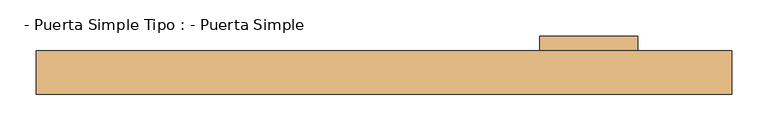
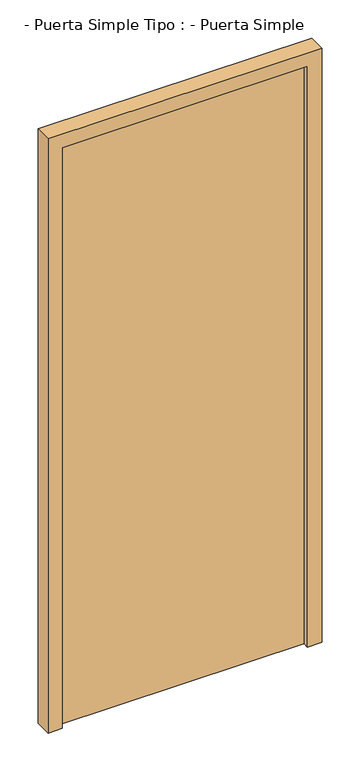
"""IFC4 building model written with IfcOpenShell, lengths in millimetres: door geometry, - Puerta Simple Tipo : - Puerta Simple."""

from ifc_helpers import new_model, si_unit, frame, origin, origin_with_axes, place, context, project, spatial, polyline, outline, extrude, faceted_brep, source, transform, mapped, element, save


def puerta_simple_tipo_puerta_simple_10d9156b(model_context):
    return source(origin(), model_context, "Body", "SolidModel", [
        faceted_brep([(-480.0, -30.0, 2200.0), (-480.0, -30.0, 0.0), (-430.0, -30.0, 0.0), (-430.0, -30.0, 2150.0), (430.0, -30.0, 2150.0), (430.0, -30.0, 0.0), (480.0, -30.0, 0.0), (480.0, -30.0, 2200.0), (-480.0, 30.0, 2200.0), (-480.0, 30.0, 0.0), (-450.0, 30.0, 0.0), (-450.0, -10.0, 0.0), (-430.0, -10.0, 0.0), (-430.0, -10.0, 2150.0), (430.0, -10.0, 2150.0), (430.0, -10.0, 0.0), (450.0, -10.0, 0.0), (450.0, 30.0, 0.0), (480.0, 30.0, 0.0), (480.0, 30.0, 2200.0), (450.0, 30.0, 2170.0), (-450.0, 30.0, 2170.0), (450.0, -10.0, 2170.0), (-450.0, -10.0, 2170.0)], [[[0, 1, 2, 3, 4, 5, 6, 7]], [[1, 0, 8, 9]], [[2, 1, 9, 10, 11, 12]], [[3, 2, 12, 13]], [[5, 4, 14, 15]], [[6, 5, 15, 16, 17, 18]], [[7, 6, 18, 19]], [[8, 19, 18, 17, 20, 21, 10, 9]], [[16, 22, 20, 17]], [[23, 11, 10, 21]], [[11, 23, 22, 16, 15, 14, 13, 12]], [[0, 7, 19, 8]], [[4, 3, 13, 14]], [[22, 23, 21, 20]]]),
        extrude(outline(polyline([(450.0, 30.0), (450.0, -10.0), (-450.0, -10.0), (-450.0, 30.0), (450.0, 30.0)])), origin_with_axes(), (0.0, 0.0, 1.0), 2170.0),
        extrude(outline(polyline([(350.0, 30.0), (215.0, 30.0), (215.0, 50.0), (350.0, 50.0), (350.0, 30.0)])), frame((0.0, 0.0, 900.0), z_axis=(0.0, 0.0, 1.0), x_axis=(1.0, 0.0, 0.0)), (0.0, 0.0, 1.0), 20.0),
    ])


if __name__ == "__main__":
    model = new_model("IFC4")
    model_context = context("Model", 3, world=origin())
    ifc_project = project(units=[si_unit("LENGTHUNIT", "METRE", prefix="MILLI")], contexts=[model_context])
    site = spatial("IfcSite", under=ifc_project)
    building = spatial("IfcBuilding", under=site)
    placement = place(None, origin())
    puerta_simple_tipo_puerta_simple_shape = puerta_simple_tipo_puerta_simple_10d9156b(model_context)
    element("IfcDoor", 1, ObjectType="- Puerta Simple Tipo : - Puerta Simple", at=placement, inside=building, context=model_context, shape_type="MappedRepresentation", body=[
        mapped(puerta_simple_tipo_puerta_simple_shape, transform((0.0, 0.0, 0.0), x_axis=(1.0, 0.0, 0.0), y_axis=(0.0, 1.0, 0.0), z_axis=(0.0, 0.0, 1.0))),
    ])
    save(model, "model.ifc")
